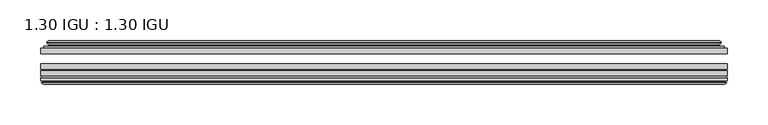
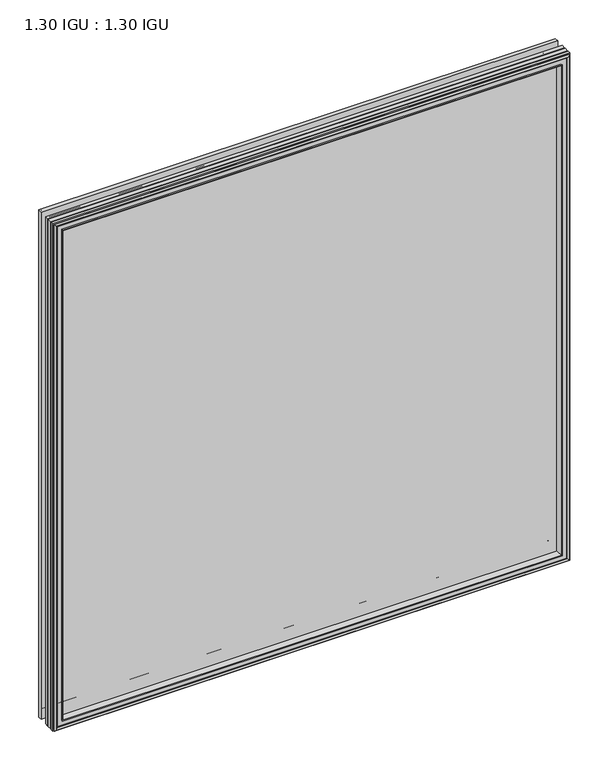
"""IFC4 building model written with IfcOpenShell, lengths in millimetres: plate geometry, 1.30 IGU : 1.30 IGU."""

import ifcopenshell
import ifcopenshell.guid

model = None  # the IFC model being written
_history = None  # IfcOwnerHistory: only IFC2X3 demands one
_inside = {}  # id of a spatial element -> (the spatial element, [elements in it])
_under = {}  # id of a project, library or spatial element -> (it, [spatial elements below it])
_declared = {}  # id of a project -> (the project, [libraries it declares])
_typed = {}  # id of a type object -> (the type object, [elements of that type])
_made_of = {}  # id of a material, layer set ... -> (it, [elements and type objects made of it])


def new_model(schema):
    """Start an empty IFC model of exactly this schema.

    Asked for "IFC4X3", IfcOpenShell would pick the latest addendum, in which some entities
    have other attributes; the version numbers below select the first issue.
    IFC2X3 requires an IfcOwnerHistory on every rooted entity: one is made here for all.
    """
    global model, _history
    if schema == "IFC4X3":
        model = ifcopenshell.file(schema_version=(4, 3, 0, 0))
    else:
        model = ifcopenshell.file(schema=schema)
    _inside.clear()
    _under.clear()
    _declared.clear()
    _typed.clear()
    _made_of.clear()
    _history = None
    if model.schema == "IFC2X3":
        org = make("IfcOrganization", Name="unknown")
        user = make(
            "IfcPersonAndOrganization",
            ThePerson=make("IfcPerson", FamilyName="unknown"),
            TheOrganization=org,
        )
        app = make(
            "IfcApplication",
            ApplicationDeveloper=org,
            Version="unknown",
            ApplicationFullName="unknown",
            ApplicationIdentifier="unknown",
        )
        _history = make(
            "IfcOwnerHistory",
            OwningUser=user,
            OwningApplication=app,
            ChangeAction="ADDED",
            CreationDate=0,
        )
    return model


def make(cls, **values):
    """One entity of the class cls with the attributes given. An attribute that is None is left unset."""
    return model.create_entity(
        cls, **{name: value for name, value in values.items() if value is not None}
    )


def rooted(cls, **values):
    """An entity with a GlobalId (a new one), such as an element, a storey or a relation."""
    return make(cls, GlobalId=ifcopenshell.guid.new(), OwnerHistory=_history, **values)


def si_unit(unit_type, name, prefix=None):
    """IfcSIUnit, for example si_unit("LENGTHUNIT", "METRE", prefix="MILLI")."""
    return make("IfcSIUnit", UnitType=unit_type, Prefix=prefix, Name=name)


def assignment(units):
    """IfcUnitAssignment: the units of a project."""
    return None if units is None else make("IfcUnitAssignment", Units=units)


def point(xyz):
    """IfcCartesianPoint."""
    return None if xyz is None else make("IfcCartesianPoint", Coordinates=xyz)


def direction(xyz):
    """IfcDirection."""
    return None if xyz is None else make("IfcDirection", DirectionRatios=xyz)


def frame(location, z_axis=None, x_axis=None):
    """IfcAxis2Placement3D, a coordinate frame: its origin and axes. An axis left out is left unset."""
    return make(
        "IfcAxis2Placement3D",
        Location=point(location),
        Axis=direction(z_axis),
        RefDirection=direction(x_axis),
    )


def origin():
    """The frame at (0, 0, 0) with its axes left unset."""
    return frame((0.0, 0.0, 0.0))


def place(relative_to, where):
    """IfcLocalPlacement: puts the frame where relative to a parent placement (None: the world)."""
    return make(
        "IfcLocalPlacement", PlacementRelTo=relative_to, RelativePlacement=where
    )


def context(
    kind, dimensions, precision=None, world=None, true_north=None, identifier=None
):
    """IfcGeometricRepresentationContext, for example the 3D "Model" context."""
    return make(
        "IfcGeometricRepresentationContext",
        ContextIdentifier=identifier,
        ContextType=kind,
        CoordinateSpaceDimension=dimensions,
        Precision=precision,
        WorldCoordinateSystem=world,
        TrueNorth=true_north,
    )


def project(units=None, contexts=None):
    """IfcProject with its units and contexts."""
    return rooted(
        "IfcProject",
        Name="project",
        RepresentationContexts=contexts,
        UnitsInContext=assignment(units),
    )


def spatial(cls, under=None, at=None, **own):
    """A site, building, storey or space (cls), placed at a placement, below another one or the project."""
    s = rooted(cls, ObjectPlacement=at, **own)
    if under is not None:
        _under.setdefault(under.id(), (under, []))[1].append(s)
    return s


def polyline(points):
    """IfcPolyline through the points."""
    return make("IfcPolyline", Points=[point(p) for p in points])


def ellipse_curve(where, semi_axis1, semi_axis2):
    """IfcEllipse in the frame where."""
    return make(
        "IfcEllipse", Position=where, SemiAxis1=semi_axis1, SemiAxis2=semi_axis2
    )


def outline(outer, holes=None, kind="AREA"):
    """IfcArbitraryClosedProfileDef: a profile drawn as a closed curve; with holes, ...WithVoids."""
    if holes is None:
        return make("IfcArbitraryClosedProfileDef", ProfileType=kind, OuterCurve=outer)
    return make(
        "IfcArbitraryProfileDefWithVoids",
        ProfileType=kind,
        OuterCurve=outer,
        InnerCurves=holes,
    )


def extrude(swept, where, along, depth):
    """IfcExtrudedAreaSolid: the profile swept, set in the frame where, extruded along a direction by depth."""
    return make(
        "IfcExtrudedAreaSolid",
        SweptArea=swept,
        Position=where,
        ExtrudedDirection=direction(along),
        Depth=depth,
    )


def faces_of(points, faces, orient=None, outer=None):
    """IfcFace entities. A face is a list of loops; a loop is a list of indices into points, from 0.

    orient and outer hold one flag for each loop. By default every Orientation is true, the
    first loop of a face is its IfcFaceOuterBound and the others are IfcFaceBound.
    """
    made = []
    for i, loops in enumerate(faces):
        bounds = []
        for j, loop in enumerate(loops):
            is_outer = j == 0 if outer is None else outer[i][j]
            bounds.append(
                make(
                    "IfcFaceOuterBound" if is_outer else "IfcFaceBound",
                    Bound=make("IfcPolyLoop", Polygon=[points[k] for k in loop]),
                    Orientation=True if orient is None else orient[i][j],
                )
            )
        made.append(make("IfcFace", Bounds=bounds))
    return made


def faceted_brep(points, faces, orient=None, outer=None, voids=None):
    """IfcFacetedBrep: a solid bounded by flat faces; with voids (closed shells), ...WithVoids."""
    shared = [point(p) for p in points]
    hull = make("IfcClosedShell", CfsFaces=faces_of(shared, faces, orient, outer))
    if voids is None:
        return make("IfcFacetedBrep", Outer=hull)
    return make(
        "IfcFacetedBrepWithVoids",
        Outer=hull,
        Voids=[
            make(cls, CfsFaces=faces_of(shared, fs, o, b)) for cls, fs, o, b in voids
        ],
    )


def shape(context_of_items, identifier, shape_type, items):
    """IfcShapeRepresentation: the items that make up one representation, for example the "Body"."""
    return make(
        "IfcShapeRepresentation",
        ContextOfItems=context_of_items,
        RepresentationIdentifier=identifier,
        RepresentationType=shape_type,
        Items=items,
    )


def source(mapping_origin, context_of_items, identifier, shape_type, items):
    """IfcRepresentationMap: a shape defined once, which mapped items show again and again."""
    return make(
        "IfcRepresentationMap",
        MappingOrigin=mapping_origin,
        MappedRepresentation=shape(context_of_items, identifier, shape_type, items),
    )


def transform(
    local_origin,
    x_axis=None,
    y_axis=None,
    z_axis=None,
    scale=None,
    scale2=None,
    scale3=None,
    uniform=True,
):
    """IfcCartesianTransformationOperator3D, or its non-uniform kind. x_axis, y_axis, z_axis: its Axis1, 2, 3."""
    if uniform:
        return make(
            "IfcCartesianTransformationOperator3D",
            Axis1=direction(x_axis),
            Axis2=direction(y_axis),
            LocalOrigin=point(local_origin),
            Scale=scale,
            Axis3=direction(z_axis),
        )
    return make(
        "IfcCartesianTransformationOperator3DnonUniform",
        Axis1=direction(x_axis),
        Axis2=direction(y_axis),
        LocalOrigin=point(local_origin),
        Scale=scale,
        Axis3=direction(z_axis),
        Scale2=scale2,
        Scale3=scale3,
    )


def mapped(mapping_source, mapping_target):
    """IfcMappedItem: shows the shape of a source again, moved by a transform."""
    return make(
        "IfcMappedItem", MappingSource=mapping_source, MappingTarget=mapping_target
    )


def made_of(thing, what):
    """Note that an element or type object is made of a material, layer set ...; save() writes the relation."""
    if what is not None:
        _made_of.setdefault(what.id(), (what, []))[1].append(thing)
    return thing


def element(
    cls,
    number,
    at=None,
    inside=None,
    cuts=None,
    type_object=None,
    material=None,
    context=None,
    identifier="Body",
    shape_type=None,
    held_by="IfcProductDefinitionShape",
    body=None,
    shapes=None,
    **own,
):
    """One element of the class cls, such as IfcWall. Its Tag is "e" and its number.

    at: its placement. inside: the storey or other place that contains it. cuts: it is an
    opening in that element (IfcRelVoidsElement). A single representation is given by context,
    identifier, shape_type and body (its items); several are given by shapes. held_by: the class
    of the entity that holds the representations. save() writes the other relations.
    """
    e = rooted(cls, Tag="e%d" % number, ObjectPlacement=at, **own)
    if body is not None:
        shapes = [shape(context, identifier, shape_type, body)]
    if shapes is not None:
        e.Representation = make(held_by, Representations=shapes)
    if inside is not None:
        _inside.setdefault(inside.id(), (inside, []))[1].append(e)
    if cuts is not None:
        rooted(
            "IfcRelVoidsElement", RelatingBuildingElement=cuts, RelatedOpeningElement=e
        )
    if type_object is not None:
        _typed.setdefault(type_object.id(), (type_object, []))[1].append(e)
    return made_of(e, material)


def aggregate(whole, parts):
    """IfcRelAggregates: a whole, such as a stair, and the parts it consists of."""
    return rooted("IfcRelAggregates", RelatingObject=whole, RelatedObjects=parts)


def save(model, path):
    """Write the relations noted so far, then the file.

    IfcRelAggregates (storeys below a building ...), IfcRelContainedInSpatialStructure (elements
    in a storey), IfcRelDefinesByType, IfcRelAssociatesMaterial and IfcRelDeclares: one each for
    every whole, place, type object, material and project.
    """
    for whole, parts in _under.values():
        aggregate(whole, parts)
    for where, things in _inside.values():
        rooted(
            "IfcRelContainedInSpatialStructure",
            RelatedElements=things,
            RelatingStructure=where,
        )
    for kind, things in _typed.values():
        rooted("IfcRelDefinesByType", RelatedObjects=things, RelatingType=kind)
    for what, things in _made_of.values():
        rooted("IfcRelAssociatesMaterial", RelatedObjects=things, RelatingMaterial=what)
    for by, libraries in _declared.values():
        rooted("IfcRelDeclares", RelatingContext=by, RelatedDefinitions=libraries)
    model.write(path)


def plane_surface(at):
    """IfcPlane: the flat surface through the origin of the frame at, square to its z axis."""
    return make("IfcPlane", Position=at)


def cylinder_surface(at, radius):
    """IfcCylindricalSurface: all points at the distance radius from the z axis of the frame at."""
    return make("IfcCylindricalSurface", Position=at, Radius=radius)


def revolved_surface(curve, axis_point, axis_direction):
    """IfcSurfaceOfRevolution: the curve turned about the line through axis_point along axis_direction."""
    return make(
        "IfcSurfaceOfRevolution",
        SweptCurve=make("IfcArbitraryOpenProfileDef", ProfileType="CURVE", Curve=curve),
        AxisPosition=make("IfcAxis1Placement", Location=point(axis_point), Axis=direction(axis_direction)),
    )


def advanced_brep(points, edges, surfaces, faces):
    """IfcAdvancedBrep: a solid bounded by faces that lie on surfaces and meet in shared edges.

    An edge is (start, end): straight between two places in points (the first is 0);
    or (start, end, curve); or (start, end, curve, False) where it runs against its curve.
    A face is (place in surfaces, loops), or (place, loops, False) where it looks against
    its surface's normal. A loop lists edges by number (the first is 1), with a minus sign
    where the edge is run from its end to its start. The first loop is the outer one.
    """
    corners = [point(p) for p in points]
    vertices = [make("IfcVertexPoint", VertexGeometry=c) for c in corners]
    made = []
    for start, end, *more in edges:
        made.append(
            make(
                "IfcEdgeCurve",
                EdgeStart=vertices[start],
                EdgeEnd=vertices[end],
                EdgeGeometry=more[0] if more else make("IfcPolyline", Points=[corners[start], corners[end]]),
                SameSense=more[1] if len(more) > 1 else True,
            )
        )
    hull = []
    for where, loops, *sense in faces:
        bounds = []
        for j, loop in enumerate(loops):
            ring = [make("IfcOrientedEdge", EdgeElement=made[abs(k) - 1], Orientation=k > 0) for k in loop]
            bounds.append(
                make(
                    "IfcFaceOuterBound" if j == 0 else "IfcFaceBound",
                    Bound=make("IfcEdgeLoop", EdgeList=ring),
                    Orientation=True,
                )
            )
        hull.append(make("IfcAdvancedFace", Bounds=bounds, FaceSurface=surfaces[where], SameSense=sense[0] if sense else True))
    return make("IfcAdvancedBrep", Outer=make("IfcClosedShell", CfsFaces=hull))


def plate_1_30_igu_1_30_igu_e3620049(model_context):
    return source(origin(), model_context, "Body", "SolidModel", [
        extrude(outline(polyline([(420.6205532, -44.92625), (420.6205532, -51.27625), (-420.6875, -51.27625), (-420.6875, -44.92625), (420.6205532, -44.92625)])), frame((0.0, 0.0, -14.2875), z_axis=(0.0, 0.0, 1.0), x_axis=(1.0, 0.0, 0.0)), (0.0, 0.0, 1.0), 873.125),
        extrude(outline(polyline([(-420.6875, -78.58125), (-420.6875, -72.23125), (420.6205532, -72.23125), (420.6205532, -78.58125), (-420.6875, -78.58125)])), frame((0.0, 0.0, -14.2875), z_axis=(0.0, 0.0, 1.0), x_axis=(1.0, 0.0, 0.0)), (0.0, 0.0, 1.0), 873.125),
        extrude(outline(polyline([(-420.6875, -70.32625), (-420.6875, -63.97625), (420.6205532, -63.97625), (420.6205532, -70.32625), (-420.6875, -70.32625)])), frame((0.0, 0.0, -14.2875), z_axis=(0.0, 0.0, 1.0), x_axis=(1.0, 0.0, 0.0)), (0.0, 0.0, 1.0), 873.125),
        advanced_brep(
        [(-402.3522902, -43.8351483, 840.5022902), (-402.7941004, -44.92625, 840.9441004), (-402.7941004, -44.92625, 3.6058996), (-402.3522902, -43.8351483, 4.0477098), (-406.4, -36.11245, 844.55), (-406.4, -36.11245, 0.0), (-411.5859109, -37.2935491, 849.7359109), (-411.5859109, -37.2935491, -5.1859109), (-411.2563356, -36.4664324, 849.4063356), (-411.2563356, -36.4664324, -4.8563356), (-411.2563356, -35.6521812, 849.4063356), (-411.2563356, -35.6521812, -4.8563356), (-413.0726111, -37.610817, 851.2226111), (-413.0726111, -37.610817, -6.6726111), (-413.0726111, -38.3239429, 851.2226111), (-413.0726111, -38.3239429, -6.6726111), (-411.2563356, -40.2727974, 849.4063356), (-411.2563356, -40.2727974, -4.8563356), (-411.2563356, -39.4683275, 849.4063356), (-411.2563356, -39.4683275, -4.8563356), (-411.5782501, -38.6604367, 849.7282501), (-411.5782501, -38.6604367, -5.1782501), (-409.0544379, -38.502045, 847.2044379), (-409.0544379, -38.502045, -2.6544379), (-408.0286217, -39.1897544, 846.1786217), (-408.0286217, -39.1897544, -1.6286217), (-408.1470288, -40.5842231, 846.2970288), (-408.1470288, -40.5842231, -1.7470288), (-408.7487748, -42.08145, 846.8987748), (-408.7487748, -42.08145, -2.3487748), (-416.6745553, -43.9898729, 854.8245553), (-416.1889245, -42.08145, 854.3389245), (-416.1889245, -42.08145, -9.7889245), (-416.6745553, -43.9898729, -10.2745553), (-414.9538155, -44.92625, 853.1038155), (-414.9538155, -44.92625, -8.5538155), (402.7941004, -44.92625, 3.6058996), (402.3522902, -43.8351483, 4.0477098), (406.4, -36.11245, 0.0), (411.5859109, -37.2935491, -5.1859109), (411.2563356, -36.4664324, -4.8563356), (411.2563356, -35.6521812, -4.8563356), (413.0726111, -37.610817, -6.6726111), (413.0726111, -38.3239429, -6.6726111), (411.2563356, -40.2727974, -4.8563356), (411.2563356, -39.4683275, -4.8563356), (411.5782501, -38.6604367, -5.1782501), (409.0544379, -38.502045, -2.6544379), (408.0286217, -39.1897544, -1.6286217), (408.1470288, -40.5842231, -1.7470288), (408.7487748, -42.08145, -2.3487748), (416.1889245, -42.08145, -9.7889245), (416.6745553, -43.9898729, -10.2745553), (414.9538155, -44.92625, -8.5538155), (402.7941004, -44.92625, 840.9441004), (402.3522902, -43.8351483, 840.5022902), (406.4, -36.11245, 844.55), (411.5859109, -37.2935491, 849.7359109), (411.2563356, -36.4664324, 849.4063356), (411.2563356, -35.6521812, 849.4063356), (413.0726111, -37.610817, 851.2226111), (413.0726111, -38.3239429, 851.2226111), (411.2563356, -40.2727974, 849.4063356), (411.2563356, -39.4683275, 849.4063356), (411.5782501, -38.6604367, 849.7282501), (409.0544379, -38.502045, 847.2044379), (408.0286217, -39.1897544, 846.1786217), (408.1470288, -40.5842231, 846.2970288), (408.7487748, -42.08145, 846.8987748), (416.1889245, -42.08145, 854.3389245), (416.6745553, -43.9898729, 854.8245553), (414.9538155, -44.92625, 853.1038155)],
        [
            (0, 1, ellipse_curve(frame((-402.7941004, -44.29125, 840.9441004), z_axis=(-0.7071067811865475, 0.0, -0.7071067811865475), x_axis=(-0.7071067811865474, 0.0, 0.7071067811865476)), 0.8980256, 0.635)),
            (1, 2),
            (2, 3, ellipse_curve(frame((-402.7941004, -44.29125, 3.6058996), z_axis=(-0.7071067811865475, 0.0, 0.7071067811865475), x_axis=(0.7071067811865474, 0.0, 0.7071067811865476)), 0.8980256, 0.635)),
            (3, 0),
            (4, 0, ellipse_curve(frame((-392.6672054, -33.8367745, 830.8172054), z_axis=(0.7071067811865475, 0.0, 0.7071067811865475), x_axis=(0.7071067811865474, 0.0, -0.7071067811865476)), 19.6859517, 13.9200699)),
            (3, 5, ellipse_curve(frame((-392.6672054, -33.8367745, 13.7327946), z_axis=(0.7071067811865475, 0.0, -0.7071067811865475), x_axis=(-0.7071067811865474, 0.0, -0.7071067811865476)), 19.6859517, 13.9200699)),
            (5, 4),
            (6, 4),
            (5, 7),
            (7, 6),
            (8, 6),
            (7, 9),
            (9, 8),
            (10, 8),
            (9, 11),
            (11, 10),
            (12, 10),
            (11, 13),
            (13, 12),
            (14, 12, ellipse_curve(frame((-412.7107729, -37.96738, 850.8607729), z_axis=(-0.7071067811865475, 0.0, -0.7071067811865475), x_axis=(-0.7071067811865474, 0.0, 0.7071067811865476)), 0.7184205, 0.508)),
            (13, 15, ellipse_curve(frame((-412.7107729, -37.96738, -6.3107729), z_axis=(-0.7071067811865475, 0.0, 0.7071067811865475), x_axis=(0.7071067811865474, 0.0, 0.7071067811865476)), 0.7184205, 0.508)),
            (15, 14),
            (16, 14),
            (15, 17),
            (17, 16),
            (18, 16),
            (17, 19),
            (19, 18),
            (20, 18),
            (19, 21),
            (21, 20),
            (22, 20),
            (21, 23),
            (23, 22),
            (24, 22, ellipse_curve(frame((-408.9908, -39.51605, 847.1408), z_axis=(0.7071067811865475, 0.0, 0.7071067811865475), x_axis=(0.7071067811865474, 0.0, -0.7071067811865476)), 1.436841, 1.016)),
            (23, 25, ellipse_curve(frame((-408.9908, -39.51605, -2.5908), z_axis=(0.7071067811865475, 0.0, -0.7071067811865475), x_axis=(-0.7071067811865474, 0.0, -0.7071067811865476)), 1.436841, 1.016)),
            (25, 24),
            (26, 24, ellipse_curve(frame((-410.3624, -39.69385, 848.5124), z_axis=(0.7071067811865475, 0.0, 0.7071067811865475), x_axis=(0.7071067811865474, 0.0, -0.7071067811865476)), 3.3765763, 2.3876)),
            (25, 27, ellipse_curve(frame((-410.3624, -39.69385, -3.9624), z_axis=(0.7071067811865475, 0.0, -0.7071067811865475), x_axis=(-0.7071067811865474, 0.0, -0.7071067811865476)), 3.3765763, 2.3876)),
            (27, 26),
            (28, 26),
            (27, 29),
            (29, 28),
            (30, 31, ellipse_curve(frame((-416.1889245, -43.09745, 854.3389245), z_axis=(-0.7071067811865475, 0.0, -0.7071067811865475), x_axis=(-0.7071067811865474, 0.0, 0.7071067811865476)), 1.436841, 1.016)),
            (31, 32),
            (32, 33, ellipse_curve(frame((-416.1889245, -43.09745, -9.7889245), z_axis=(-0.7071067811865475, 0.0, 0.7071067811865475), x_axis=(0.7071067811865474, 0.0, 0.7071067811865476)), 1.436841, 1.016)),
            (33, 30),
            (34, 30),
            (33, 35),
            (35, 34),
            (2, 36),
            (36, 37, ellipse_curve(frame((402.7941004, -44.29125, 3.6058996), z_axis=(-0.7071067811865475, 0.0, -0.7071067811865475), x_axis=(-0.7071067811865476, 0.0, 0.7071067811865474)), 0.8980256, 0.635)),
            (37, 3),
            (37, 38, ellipse_curve(frame((392.6672054, -33.8367745, 13.7327946), z_axis=(0.7071067811865475, 0.0, 0.7071067811865475), x_axis=(0.7071067811865476, 0.0, -0.7071067811865474)), 19.6859517, 13.9200699)),
            (38, 5),
            (38, 39),
            (39, 7),
            (39, 40),
            (40, 9),
            (40, 41),
            (41, 11),
            (41, 42),
            (42, 13),
            (42, 43, ellipse_curve(frame((412.7107729, -37.96738, -6.3107729), z_axis=(-0.7071067811865475, 0.0, -0.7071067811865475), x_axis=(-0.7071067811865476, 0.0, 0.7071067811865474)), 0.7184205, 0.508)),
            (43, 15),
            (43, 44),
            (44, 17),
            (44, 45),
            (45, 19),
            (45, 46),
            (46, 21),
            (46, 47),
            (47, 23),
            (47, 48, ellipse_curve(frame((408.9908, -39.51605, -2.5908), z_axis=(0.7071067811865475, 0.0, 0.7071067811865475), x_axis=(0.7071067811865476, 0.0, -0.7071067811865474)), 1.436841, 1.016)),
            (48, 25),
            (48, 49, ellipse_curve(frame((410.3624, -39.69385, -3.9624), z_axis=(0.7071067811865475, 0.0, 0.7071067811865475), x_axis=(0.7071067811865476, 0.0, -0.7071067811865474)), 3.3765763, 2.3876)),
            (49, 27),
            (49, 50),
            (50, 29),
            (32, 51),
            (51, 52, ellipse_curve(frame((416.1889245, -43.09745, -9.7889245), z_axis=(-0.7071067811865475, 0.0, -0.7071067811865475), x_axis=(-0.7071067811865476, 0.0, 0.7071067811865474)), 1.436841, 1.016)),
            (52, 33),
            (52, 53),
            (53, 35),
            (36, 54),
            (54, 55, ellipse_curve(frame((402.7941004, -44.29125, 840.9441004), z_axis=(0.7071067811865475, 0.0, -0.7071067811865475), x_axis=(-0.7071067811865474, 0.0, -0.7071067811865476)), 0.8980256, 0.635)),
            (55, 37),
            (55, 56, ellipse_curve(frame((392.6672054, -33.8367745, 830.8172054), z_axis=(-0.7071067811865475, 0.0, 0.7071067811865475), x_axis=(0.7071067811865474, 0.0, 0.7071067811865476)), 19.6859517, 13.9200699)),
            (56, 38),
            (56, 57),
            (57, 39),
            (57, 58),
            (58, 40),
            (58, 59),
            (59, 41),
            (59, 60),
            (60, 42),
            (60, 61, ellipse_curve(frame((412.7107729, -37.96738, 850.8607729), z_axis=(0.7071067811865475, 0.0, -0.7071067811865475), x_axis=(-0.7071067811865474, 0.0, -0.7071067811865476)), 0.7184205, 0.508)),
            (61, 43),
            (61, 62),
            (62, 44),
            (62, 63),
            (63, 45),
            (63, 64),
            (64, 46),
            (64, 65),
            (65, 47),
            (65, 66, ellipse_curve(frame((408.9908, -39.51605, 847.1408), z_axis=(-0.7071067811865475, 0.0, 0.7071067811865475), x_axis=(0.7071067811865474, 0.0, 0.7071067811865476)), 1.436841, 1.016)),
            (66, 48),
            (66, 67, ellipse_curve(frame((410.3624, -39.69385, 848.5124), z_axis=(-0.7071067811865475, 0.0, 0.7071067811865475), x_axis=(0.7071067811865474, 0.0, 0.7071067811865476)), 3.3765763, 2.3876)),
            (67, 49),
            (67, 68),
            (68, 50),
            (51, 69),
            (69, 70, ellipse_curve(frame((416.1889245, -43.09745, 854.3389245), z_axis=(0.7071067811865475, 0.0, -0.7071067811865475), x_axis=(-0.7071067811865474, 0.0, -0.7071067811865476)), 1.436841, 1.016)),
            (70, 52),
            (70, 71),
            (71, 53),
            (54, 1),
            (0, 55),
            (4, 56),
            (6, 57),
            (8, 58),
            (10, 59),
            (12, 60),
            (14, 61),
            (16, 62),
            (18, 63),
            (20, 64),
            (22, 65),
            (24, 66),
            (26, 67),
            (28, 68),
            (31, 69),
            (30, 70),
            (34, 71),
        ],
        [
            cylinder_surface(frame((-402.7941004, -44.29125, 876.3), z_axis=(0.0, 0.0, 1.0), x_axis=(-1.0, 0.0, 0.0)), 0.635),
            revolved_surface(polyline([(-406.5872753, -33.8367745, -0.18727534118079348), (-406.5872753, -33.8367745, 844.7372753411809)]), (-392.6672054, -33.8367745, 876.3), (0.0, 0.0, -1.0)),
            plane_surface(frame((-406.4, -36.11245, 844.55), z_axis=(-0.22206498442778658, 0.975031867525922, 0.0), x_axis=(0.0, 0.0, -1.0))),
            plane_surface(frame((-411.5859109, -37.2935491, 849.7359109), z_axis=(0.9289682685629922, -0.3701593656833182, 0.0), x_axis=(0.0, 0.0, -1.0))),
            plane_surface(frame((-411.2563356, -36.4664324, 849.4063356), z_axis=(1.0, 0.0, 0.0), x_axis=(0.0, 0.0, -1.0))),
            plane_surface(frame((-411.2563356, -35.6521812, 849.4063356), z_axis=(-0.7332521292723956, 0.6799568478348447, 0.0), x_axis=(0.0, 0.0, -1.0))),
            cylinder_surface(frame((-412.7107729, -37.96738, 876.3), z_axis=(0.0, 0.0, 1.0), x_axis=(-1.0, 0.0, 0.0)), 0.508),
            plane_surface(frame((-413.0726111, -38.3239429, 851.2226111), z_axis=(-0.7315522693036389, -0.6817853601220082, 0.0), x_axis=(0.0, 0.0, -1.0))),
            plane_surface(frame((-411.2563356, -40.2727974, 849.4063356), z_axis=(1.0, 0.0, 0.0), x_axis=(0.0, 0.0, -1.0))),
            plane_surface(frame((-411.2563356, -39.4683275, 849.4063356), z_axis=(0.9289682685631103, 0.37015936568302166, 0.0), x_axis=(0.0, 0.0, -1.0))),
            plane_surface(frame((-411.5782501, -38.6604367, 849.7282501), z_axis=(0.06263570119321644, -0.9980364567169048, 0.0), x_axis=(0.0, 0.0, -1.0))),
            revolved_surface(polyline([(-410.0068, -39.51605, -3.606800014586838), (-410.0068, -39.51605, 848.1568000145869)]), (-408.9908, -39.51605, 876.3), (0.0, 0.0, -1.0)),
            revolved_surface(polyline([(-412.75, -39.69385, -6.3499999989237494), (-412.75, -39.69385, 850.8999999989237)]), (-410.3624, -39.69385, 876.3), (0.0, 0.0, -1.0)),
            plane_surface(frame((-408.1470288, -40.5842231, 846.2970288), z_axis=(-0.9278652925428912, 0.372915538553028, 0.0), x_axis=(0.0, 0.0, -1.0))),
            cylinder_surface(frame((-416.1889245, -43.09745, 876.3), z_axis=(0.0, 0.0, 1.0), x_axis=(-1.0, 0.0, 0.0)), 1.016),
            plane_surface(frame((-416.6745553, -43.9898729, 854.8245553), z_axis=(-0.477983117370979, -0.8783690223979447, 0.0), x_axis=(0.0, 0.0, -1.0))),
            cylinder_surface(frame((-438.15, -44.29125, 3.6058996), z_axis=(-1.0, 0.0, 0.0), x_axis=(0.0, 0.0, -1.0)), 0.635),
            revolved_surface(polyline([(406.58727534118077, -33.8367745, -0.1872752999999996), (-406.5872753411808, -33.8367745, -0.1872752999999996)]), (-438.15, -33.8367745, 13.7327946), (1.0, 0.0, 0.0)),
            plane_surface(frame((-406.4, -36.11245, 0.0), z_axis=(0.0, 0.9750318675259213, -0.22206498442778974), x_axis=(1.0, 0.0, 0.0))),
            plane_surface(frame((-411.5859109, -37.2935491, -5.1859109), z_axis=(0.0, -0.3701593656833152, 0.9289682685629934), x_axis=(1.0, 0.0, 0.0))),
            plane_surface(frame((-411.2563356, -36.4664324, -4.8563356), z_axis=(0.0, 0.0, 1.0), x_axis=(1.0, 0.0, 0.0))),
            plane_surface(frame((-411.2563356, -35.6521812, -4.8563356), z_axis=(0.0, 0.6799568478348423, -0.7332521292723978), x_axis=(1.0, 0.0, 0.0))),
            cylinder_surface(frame((-438.15, -37.96738, -6.3107729), z_axis=(-1.0, 0.0, 0.0), x_axis=(0.0, 0.0, -1.0)), 0.508),
            plane_surface(frame((-413.0726111, -38.3239429, -6.6726111), z_axis=(0.0, -0.6817853601220105, -0.7315522693036367), x_axis=(1.0, 0.0, 0.0))),
            plane_surface(frame((-411.2563356, -40.2727974, -4.8563356), z_axis=(0.0, 0.0, 1.0), x_axis=(1.0, 0.0, 0.0))),
            plane_surface(frame((-411.2563356, -39.4683275, -4.8563356), z_axis=(0.0, 0.37015936568302465, 0.9289682685631091), x_axis=(1.0, 0.0, 0.0))),
            plane_surface(frame((-411.5782501, -38.6604367, -5.1782501), z_axis=(0.0, -0.9980364567169046, 0.06263570119321968), x_axis=(1.0, 0.0, 0.0))),
            revolved_surface(polyline([(410.0068000145868, -39.51605, -3.6068000000000002), (-410.0068000145868, -39.51605, -3.6068000000000002)]), (-438.15, -39.51605, -2.5908), (1.0, 0.0, 0.0)),
            revolved_surface(polyline([(412.7499999989237, -39.69385, -6.35), (-412.7499999989238, -39.69385, -6.35)]), (-438.15, -39.69385, -3.9624), (1.0, 0.0, 0.0)),
            plane_surface(frame((-408.1470288, -40.5842231, -1.7470288), z_axis=(0.0, 0.372915538553025, -0.9278652925428924), x_axis=(1.0, 0.0, 0.0))),
            cylinder_surface(frame((-438.15, -43.09745, -9.7889245), z_axis=(-1.0, 0.0, 0.0), x_axis=(0.0, 0.0, -1.0)), 1.016),
            plane_surface(frame((-416.6745553, -43.9898729, -10.2745553), z_axis=(0.0, -0.8783690223979462, -0.47798311737097615), x_axis=(1.0, 0.0, 0.0))),
            cylinder_surface(frame((402.7941004, -44.29125, -31.75), z_axis=(0.0, 0.0, -1.0), x_axis=(1.0, 0.0, 0.0)), 0.635),
            revolved_surface(polyline([(406.5872753, -33.8367745, 844.7372753411809), (406.5872753, -33.8367745, -0.1872753411808432)]), (392.6672054, -33.8367745, -31.75), (0.0, 0.0, 1.0)),
            plane_surface(frame((406.4, -36.11245, 0.0), z_axis=(0.22206498442779288, 0.9750318675259205, 0.0), x_axis=(0.0, 0.0, 1.0))),
            plane_surface(frame((411.5859109, -37.2935491, -5.1859109), z_axis=(-0.9289682685629946, -0.3701593656833122, 0.0), x_axis=(0.0, 0.0, 1.0))),
            plane_surface(frame((411.2563356, -36.4664324, -4.8563356), z_axis=(-1.0, 0.0, 0.0), x_axis=(0.0, 0.0, 1.0))),
            plane_surface(frame((411.2563356, -35.6521812, -4.8563356), z_axis=(0.7332521292724, 0.67995684783484, 0.0), x_axis=(0.0, 0.0, 1.0))),
            cylinder_surface(frame((412.7107729, -37.96738, -31.75), z_axis=(0.0, 0.0, -1.0), x_axis=(1.0, 0.0, 0.0)), 0.508),
            plane_surface(frame((413.0726111, -38.3239429, -6.6726111), z_axis=(0.7315522693036345, -0.6817853601220129, 0.0), x_axis=(0.0, 0.0, 1.0))),
            plane_surface(frame((411.2563356, -40.2727974, -4.8563356), z_axis=(-1.0, 0.0, 0.0), x_axis=(0.0, 0.0, 1.0))),
            plane_surface(frame((411.2563356, -39.4683275, -4.8563356), z_axis=(-0.928968268563108, 0.3701593656830277, 0.0), x_axis=(0.0, 0.0, 1.0))),
            plane_surface(frame((411.5782501, -38.6604367, -5.1782501), z_axis=(-0.06263570119322291, -0.9980364567169043, 0.0), x_axis=(0.0, 0.0, 1.0))),
            revolved_surface(polyline([(410.0068, -39.51605, 848.1568000145869), (410.0068, -39.51605, -3.606800014586863)]), (408.9908, -39.51605, -31.75), (0.0, 0.0, 1.0)),
            revolved_surface(polyline([(412.75, -39.69385, 850.8999999989237), (412.75, -39.69385, -6.349999998923781)]), (410.3624, -39.69385, -31.75), (0.0, 0.0, 1.0)),
            plane_surface(frame((408.1470288, -40.5842231, -1.7470288), z_axis=(0.9278652925428936, 0.372915538553022, 0.0), x_axis=(0.0, 0.0, 1.0))),
            cylinder_surface(frame((416.1889245, -43.09745, -31.75), z_axis=(0.0, 0.0, -1.0), x_axis=(1.0, 0.0, 0.0)), 1.016),
            plane_surface(frame((416.6745553, -43.9898729, -10.2745553), z_axis=(0.4779831173709733, -0.8783690223979478, 0.0), x_axis=(0.0, 0.0, 1.0))),
            cylinder_surface(frame((438.15, -44.29125, 840.9441004), z_axis=(1.0, 0.0, 0.0), x_axis=(0.0, 0.0, 1.0)), 0.635),
            revolved_surface(polyline([(-406.58727534118077, -33.8367745, 844.7372753000001), (406.5872753411808, -33.8367745, 844.7372753000001)]), (438.15, -33.8367745, 830.8172054), (-1.0, 0.0, 0.0)),
            plane_surface(frame((406.4, -36.11245, 844.55), z_axis=(0.0, 0.9750318675259212, 0.2220649844277897), x_axis=(-1.0, 0.0, 0.0))),
            plane_surface(frame((411.5859109, -37.2935491, 849.7359109), z_axis=(0.0, -0.3701593656833152, -0.9289682685629934), x_axis=(-1.0, 0.0, 0.0))),
            plane_surface(frame((411.2563356, -36.4664324, 849.4063356), z_axis=(0.0, 0.0, -1.0), x_axis=(-1.0, 0.0, 0.0))),
            plane_surface(frame((411.2563356, -35.6521812, 849.4063356), z_axis=(0.0, 0.6799568478348423, 0.7332521292723978), x_axis=(-1.0, 0.0, 0.0))),
            cylinder_surface(frame((438.15, -37.96738, 850.8607729), z_axis=(1.0, 0.0, 0.0), x_axis=(0.0, 0.0, 1.0)), 0.508),
            plane_surface(frame((413.0726111, -38.3239429, 851.2226111), z_axis=(0.0, -0.6817853601220105, 0.7315522693036367), x_axis=(-1.0, 0.0, 0.0))),
            plane_surface(frame((411.2563356, -40.2727974, 849.4063356), z_axis=(0.0, 0.0, -1.0), x_axis=(-1.0, 0.0, 0.0))),
            plane_surface(frame((411.2563356, -39.4683275, 849.4063356), z_axis=(0.0, 0.3701593656830247, -0.9289682685631092), x_axis=(-1.0, 0.0, 0.0))),
            plane_surface(frame((411.5782501, -38.6604367, 849.7282501), z_axis=(0.0, -0.9980364567169046, -0.06263570119321968), x_axis=(-1.0, 0.0, 0.0))),
            revolved_surface(polyline([(-410.0068000145868, -39.51605, 848.1568), (410.0068000145868, -39.51605, 848.1568)]), (438.15, -39.51605, 847.1408), (-1.0, 0.0, 0.0)),
            revolved_surface(polyline([(-412.7499999989237, -39.69385, 850.9), (412.7499999989238, -39.69385, 850.9)]), (438.15, -39.69385, 848.5124), (-1.0, 0.0, 0.0)),
            plane_surface(frame((408.1470288, -40.5842231, 846.2970288), z_axis=(0.0, 0.372915538553025, 0.9278652925428924), x_axis=(-1.0, 0.0, 0.0))),
            plane_surface(frame((408.7487748, -42.08145, 846.8987748), z_axis=(0.0, 1.0, 0.0), x_axis=(-1.0, 0.0, 0.0))),
            cylinder_surface(frame((438.15, -43.09745, 854.3389245), z_axis=(1.0, 0.0, 0.0), x_axis=(0.0, 0.0, 1.0)), 1.016),
            plane_surface(frame((416.6745553, -43.9898729, 854.8245553), z_axis=(0.0, -0.8783690223979462, 0.47798311737097615), x_axis=(-1.0, 0.0, 0.0))),
            plane_surface(frame((414.9538155, -44.92625, 853.1038155), z_axis=(0.0, -1.0, 0.0), x_axis=(-1.0, 0.0, 0.0))),
        ],
        [
            (0, [[1, 2, 3, 4]]),
            (1, [[5, -4, 6, 7]]),
            (2, [[8, -7, 9, 10]]),
            (3, [[11, -10, 12, 13]]),
            (4, [[14, -13, 15, 16]]),
            (5, [[17, -16, 18, 19]]),
            (6, [[20, -19, 21, 22]]),
            (7, [[23, -22, 24, 25]]),
            (8, [[26, -25, 27, 28]]),
            (9, [[29, -28, 30, 31]]),
            (10, [[32, -31, 33, 34]]),
            (11, [[35, -34, 36, 37]]),
            (12, [[38, -37, 39, 40]]),
            (13, [[41, -40, 42, 43]]),
            (14, [[44, 45, 46, 47]]),
            (15, [[48, -47, 49, 50]]),
            (16, [[-3, 51, 52, 53]]),
            (17, [[-6, -53, 54, 55]]),
            (18, [[-9, -55, 56, 57]]),
            (19, [[-12, -57, 58, 59]]),
            (20, [[-15, -59, 60, 61]]),
            (21, [[-18, -61, 62, 63]]),
            (22, [[-21, -63, 64, 65]]),
            (23, [[-24, -65, 66, 67]]),
            (24, [[-27, -67, 68, 69]]),
            (25, [[-30, -69, 70, 71]]),
            (26, [[-33, -71, 72, 73]]),
            (27, [[-36, -73, 74, 75]]),
            (28, [[-39, -75, 76, 77]]),
            (29, [[-42, -77, 78, 79]]),
            (30, [[-46, 80, 81, 82]]),
            (31, [[-49, -82, 83, 84]]),
            (32, [[-52, 85, 86, 87]]),
            (33, [[-54, -87, 88, 89]]),
            (34, [[-56, -89, 90, 91]]),
            (35, [[-58, -91, 92, 93]]),
            (36, [[-60, -93, 94, 95]]),
            (37, [[-62, -95, 96, 97]]),
            (38, [[-64, -97, 98, 99]]),
            (39, [[-66, -99, 100, 101]]),
            (40, [[-68, -101, 102, 103]]),
            (41, [[-70, -103, 104, 105]]),
            (42, [[-72, -105, 106, 107]]),
            (43, [[-74, -107, 108, 109]]),
            (44, [[-76, -109, 110, 111]]),
            (45, [[-78, -111, 112, 113]]),
            (46, [[-81, 114, 115, 116]]),
            (47, [[-83, -116, 117, 118]]),
            (48, [[-86, 119, -1, 120]]),
            (49, [[-88, -120, -5, 121]]),
            (50, [[-90, -121, -8, 122]]),
            (51, [[-92, -122, -11, 123]]),
            (52, [[-94, -123, -14, 124]]),
            (53, [[-96, -124, -17, 125]]),
            (54, [[-98, -125, -20, 126]]),
            (55, [[-100, -126, -23, 127]]),
            (56, [[-102, -127, -26, 128]]),
            (57, [[-104, -128, -29, 129]]),
            (58, [[-106, -129, -32, 130]]),
            (59, [[-108, -130, -35, 131]]),
            (60, [[-110, -131, -38, 132]]),
            (61, [[-112, -132, -41, 133]]),
            (62, [[134, -114, -80, -45], [-79, -113, -133, -43]]),
            (63, [[-115, -134, -44, 135]]),
            (64, [[-117, -135, -48, 136]]),
            (65, [[-84, -118, -136, -50], [-119, -85, -51, -2]]),
        ],
    ),
        faceted_brep([(-402.5457827, -78.58125, 840.6957827), (-405.1120798, -87.47125, 843.2620798), (-405.1120798, -87.47125, 1.2879202), (-402.5457827, -78.58125, 3.8542173), (-420.7002, -80.7883102, 858.8502), (-418.4931398, -78.58125, 856.6431398), (-418.4931398, -78.58125, -12.0931398), (-420.7002, -80.7883102, -14.3002), (-420.7002, -84.93125, 858.8502), (-420.7002, -84.93125, -14.3002), (-418.2811775, -86.11489, 856.4311775), (-419.1203682, -84.93125, 857.2703682), (-419.1203682, -84.93125, -12.7203682), (-418.2811775, -86.11489, -11.8811775), (-418.084, -87.4125884, 856.234), (-418.084, -87.4125884, -11.684), (-419.05966, -86.8828917, 857.20966), (-419.05966, -86.8828917, -12.65966), (-417.5252, -88.6999663, 855.6752), (-419.8523305, -86.8828917, 858.0023305), (-419.8523305, -86.8828917, -13.4523305), (-417.5252, -88.6999663, -11.1252), (-415.1980695, -86.8828917, 853.3480695), (-415.1980695, -86.8828917, -8.7980695), (-416.9664, -87.4125884, 855.1164), (-415.99074, -86.8828917, 854.14074), (-415.99074, -86.8828917, -9.59074), (-416.9664, -87.4125884, -10.5664), (-416.7692225, -86.11489, 854.9192225), (-416.7692225, -86.11489, -10.3692225), (-415.8996, -84.93125, 854.0496), (-415.8996, -84.93125, -9.4996), (-406.7513667, -87.47125, 844.9013667), (-406.2222, -84.93125, 844.3722), (-406.2222, -84.93125, 0.1778), (-406.7513667, -87.47125, -0.3513667), (405.1120798, -87.47125, 1.2879202), (402.5457827, -78.58125, 3.8542173), (418.4931398, -78.58125, -12.0931398), (420.7002, -80.7883102, -14.3002), (420.7002, -84.93125, -14.3002), (419.1203682, -84.93125, -12.7203682), (418.2811775, -86.11489, -11.8811775), (418.084, -87.4125884, -11.684), (419.05966, -86.8828917, -12.65966), (419.8523305, -86.8828917, -13.4523305), (417.5252, -88.6999663, -11.1252), (415.1980695, -86.8828917, -8.7980695), (415.99074, -86.8828917, -9.59074), (416.9664, -87.4125884, -10.5664), (416.7692225, -86.11489, -10.3692225), (415.8996, -84.93125, -9.4996), (406.2222, -84.93125, 0.1778), (406.7513667, -87.47125, -0.3513667), (405.1120798, -87.47125, 843.2620798), (402.5457827, -78.58125, 840.6957827), (418.4931398, -78.58125, 856.6431398), (420.7002, -80.7883102, 858.8502), (420.7002, -84.93125, 858.8502), (419.1203682, -84.93125, 857.2703682), (418.2811775, -86.11489, 856.4311775), (418.084, -87.4125884, 856.234), (419.05966, -86.8828917, 857.20966), (419.8523305, -86.8828917, 858.0023305), (417.5252, -88.6999663, 855.6752), (415.1980695, -86.8828917, 853.3480695), (415.99074, -86.8828917, 854.14074), (416.9664, -87.4125884, 855.1164), (416.7692225, -86.11489, 854.9192225), (415.8996, -84.93125, 854.0496), (406.2222, -84.93125, 844.3722), (406.7513667, -87.47125, 844.9013667)], [[[0, 1, 2, 3]], [[4, 5, 6, 7]], [[8, 4, 7, 9]], [[10, 11, 12, 13]], [[14, 10, 13, 15]], [[16, 14, 15, 17]], [[18, 19, 20, 21]], [[22, 18, 21, 23]], [[24, 25, 26, 27]], [[28, 24, 27, 29]], [[30, 28, 29, 31]], [[32, 33, 34, 35]], [[3, 2, 36, 37]], [[7, 6, 38, 39]], [[9, 7, 39, 40]], [[13, 12, 41, 42]], [[15, 13, 42, 43]], [[17, 15, 43, 44]], [[21, 20, 45, 46]], [[23, 21, 46, 47]], [[27, 26, 48, 49]], [[29, 27, 49, 50]], [[31, 29, 50, 51]], [[35, 34, 52, 53]], [[37, 36, 54, 55]], [[39, 38, 56, 57]], [[40, 39, 57, 58]], [[42, 41, 59, 60]], [[43, 42, 60, 61]], [[44, 43, 61, 62]], [[46, 45, 63, 64]], [[47, 46, 64, 65]], [[49, 48, 66, 67]], [[50, 49, 67, 68]], [[51, 50, 68, 69]], [[53, 52, 70, 71]], [[55, 54, 1, 0]], [[5, 56, 38, 6], [3, 37, 55, 0]], [[57, 56, 5, 4]], [[58, 57, 4, 8]], [[9, 40, 58, 8], [11, 59, 41, 12]], [[60, 59, 11, 10]], [[61, 60, 10, 14]], [[62, 61, 14, 16]], [[19, 63, 45, 20], [17, 44, 62, 16]], [[64, 63, 19, 18]], [[65, 64, 18, 22]], [[25, 66, 48, 26], [23, 47, 65, 22]], [[67, 66, 25, 24]], [[68, 67, 24, 28]], [[69, 68, 28, 30]], [[31, 51, 69, 30], [33, 70, 52, 34]], [[71, 70, 33, 32]], [[35, 53, 71, 32], [1, 54, 36, 2]]]),
    ])


if __name__ == "__main__":
    model = new_model("IFC4")
    model_context = context("Model", 3, world=origin())
    ifc_project = project(units=[si_unit("LENGTHUNIT", "METRE", prefix="MILLI")], contexts=[model_context])
    site = spatial("IfcSite", under=ifc_project)
    building = spatial("IfcBuilding", under=site)
    placement = place(None, origin())
    plate_1_30_igu_1_30_igu_shape = plate_1_30_igu_1_30_igu_e3620049(model_context)
    element("IfcPlate", 1, ObjectType="1.30 IGU : 1.30 IGU", at=placement, inside=building, context=model_context, shape_type="MappedRepresentation", body=[
        mapped(plate_1_30_igu_1_30_igu_shape, transform((0.0, 0.0, 0.0), x_axis=(1.0, 0.0, 0.0), y_axis=(0.0, 1.0, 0.0), z_axis=(0.0, 0.0, 1.0))),
    ])
    save(model, "model.ifc")
